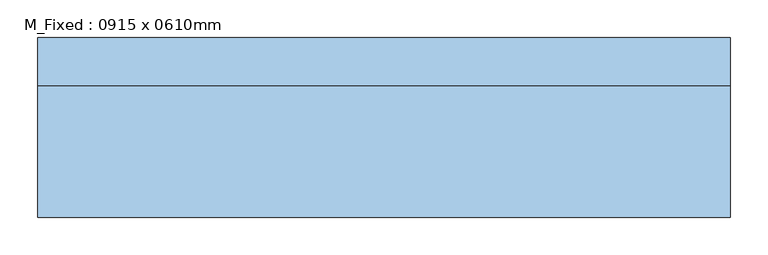
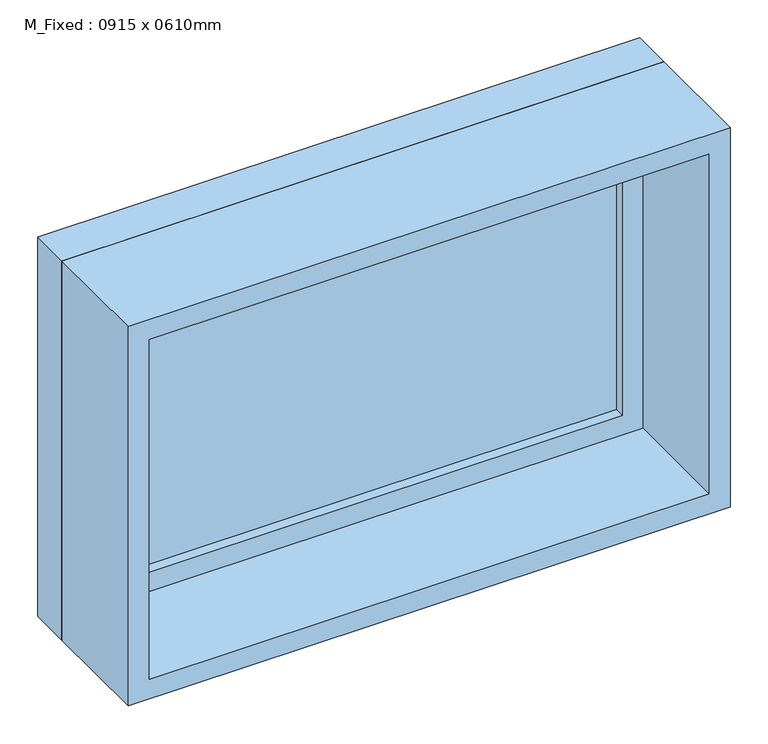
"""IFC4 building model written with IfcOpenShell, lengths in millimetres: window geometry, M_Fixed : 0915 x 0610mm."""

from ifc_helpers import new_model, si_unit, frame, origin, place, context, project, spatial, polyline, outline, extrude, source, transform, mapped, element, save


def m_fixed_0915_x_0610mm_716dfaf9(model_context):
    return source(origin(), model_context, "Body", "SweptSolid", [
        extrude(outline(polyline([(-394.5, 96.75), (394.5, 96.75), (394.5, 84.75), (-394.5, 84.75), (-394.5, 96.75)])), frame((0.0, 0.0, 978.0), z_axis=(0.0, 0.0, 1.0), x_axis=(1.0, 0.0, 0.0)), (0.0, 0.0, 1.0), 484.0),
        extrude(outline(polyline([(1506.0, -438.5), (934.0, -438.5), (934.0, 438.5), (1506.0, 438.5), (1506.0, -438.5)]), holes=[polyline([(1462.0, -394.5), (1462.0, 394.5), (978.0, 394.5), (978.0, -394.5), (1462.0, -394.5)])]), frame((0.0, 68.75, 0.0), z_axis=(0.0, 1.0, 0.0), x_axis=(0.0, 0.0, 1.0)), (0.0, 0.0, 1.0), 44.0),
        extrude(outline(polyline([(1525.0, -457.5), (915.0, -457.5), (915.0, 457.5), (1525.0, 457.5), (1525.0, -457.5)]), holes=[polyline([(1506.0, -438.5), (1506.0, 438.5), (934.0, 438.5), (934.0, -438.5), (1506.0, -438.5)])]), frame((0.0, 68.75, 0.0), z_axis=(0.0, 1.0, 0.0), x_axis=(0.0, 0.0, 1.0)), (0.0, 0.0, 1.0), 63.0),
        extrude(outline(polyline([(1525.0, -457.5), (915.0, -457.5), (915.0, 457.5), (1525.0, 457.5), (1525.0, -457.5)]), holes=[polyline([(1493.0, -425.5), (1493.0, 425.5), (947.0, 425.5), (947.0, -425.5), (1493.0, -425.5)])]), frame((0.0, -105.75, 0.0), z_axis=(0.0, 1.0, 0.0), x_axis=(0.0, 0.0, 1.0)), (0.0, 0.0, 1.0), 174.5),
    ])


if __name__ == "__main__":
    model = new_model("IFC4")
    model_context = context("Model", 3, world=origin())
    ifc_project = project(units=[si_unit("LENGTHUNIT", "METRE", prefix="MILLI")], contexts=[model_context])
    site = spatial("IfcSite", under=ifc_project)
    building = spatial("IfcBuilding", under=site)
    placement = place(None, origin())
    m_fixed_0915_x_0610mm_shape = m_fixed_0915_x_0610mm_716dfaf9(model_context)
    element("IfcWindow", 1, ObjectType="M_Fixed : 0915 x 0610mm", at=placement, inside=building, context=model_context, shape_type="MappedRepresentation", body=[
        mapped(m_fixed_0915_x_0610mm_shape, transform((0.0, 0.0, 0.0), x_axis=(1.0, 0.0, 0.0), y_axis=(0.0, 1.0, 0.0), z_axis=(0.0, 0.0, 1.0))),
    ])
    save(model, "model.ifc")
